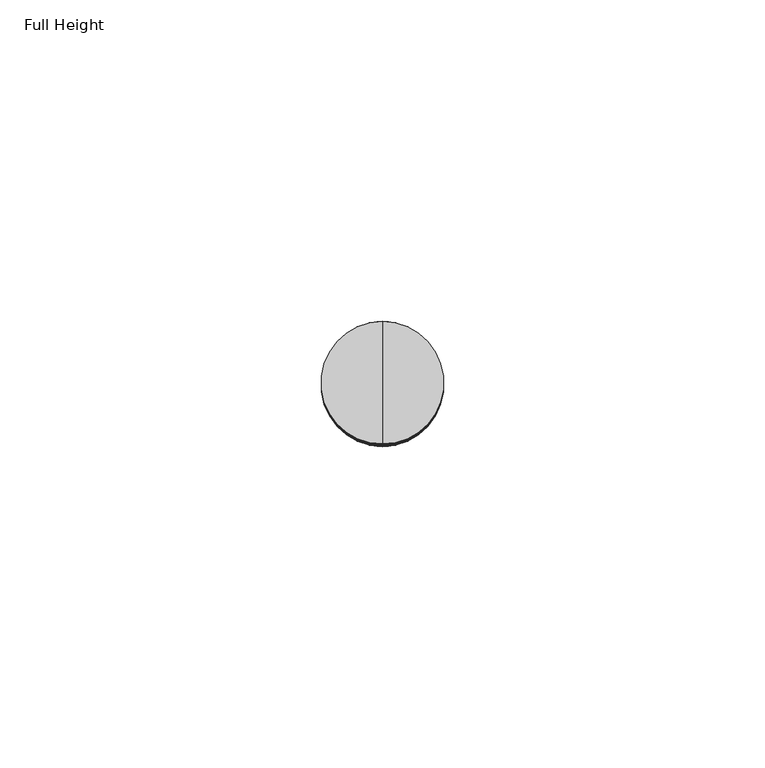
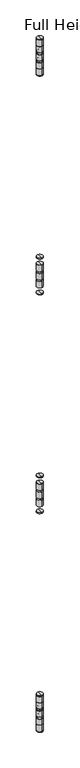
"""IFC4 building model written with IfcOpenShell, lengths in millimetres: plate geometry, Full Height."""

from ifc_helpers import new_model, si_unit, point, frame, origin, place, context, project, spatial, circle_curve, ellipse_curve, trimmed, source, transform, mapped, element, save
from ifc_brep_helpers import plane_surface, cylinder_surface, revolved_surface, advanced_brep


def full_height_05d19160(model_context):
    return source(origin(), model_context, "Body", "AdvancedBrep", [
        advanced_brep(
        [(-464.9447517, -30.9626, 1093.0466667), (-464.9447517, -50.0126, 1093.0466667), (-464.9447517, -50.0126, 1095.0786667), (-464.9447517, -30.9626, 1095.0786667), (-464.9447517, -40.4876, 1093.0466667), (-464.9447517, -40.4876, 1095.0786667)],
        [
            (0, 1, circle_curve(frame((-464.9447517, -40.4876, 1093.0466667), z_axis=(0.0, 0.0, 1.0), x_axis=(0.0, -1.0, 0.0)), 9.525)),
            (1, 2),
            (2, 3, circle_curve(frame((-464.9447517, -40.4876, 1095.0786667), z_axis=(0.0, 0.0, -1.0), x_axis=(0.0, -1.0, 0.0)), 9.525)),
            (3, 0),
            (1, 0, circle_curve(frame((-464.9447517, -40.4876, 1093.0466667), z_axis=(0.0, 0.0, 1.0), x_axis=(0.0, -1.0, 0.0)), 9.525)),
            (3, 2, circle_curve(frame((-464.9447517, -40.4876, 1095.0786667), z_axis=(0.0, 0.0, -1.0), x_axis=(0.0, -1.0, 0.0)), 9.525)),
            (4, 1),
            (0, 4),
            (2, 5),
            (5, 3),
        ],
        [
            cylinder_surface(frame((-464.9447517, -40.4876, 1871.6413333), z_axis=(0.0, 0.0, -1.0), x_axis=(0.0, -1.0, 0.0)), 9.525),
            plane_surface(frame((-464.9447517, -40.4876, 1093.0466667), z_axis=(0.0, 0.0, -1.0), x_axis=(0.0, -1.0, 0.0))),
            plane_surface(frame((-464.9447517, -40.4876, 1095.0786667), z_axis=(0.0, 0.0, 1.0), x_axis=(0.0, -1.0, 0.0))),
        ],
        [
            (0, [[1, 2, 3, 4]]),
            (0, [[5, -4, 6, -2]]),
            (1, [[7, -1, 8]]),
            (1, [[-8, -5, -7]]),
            (2, [[-3, 9, 10]]),
            (2, [[-6, -10, -9]]),
        ],
    ),
        advanced_brep(
        [(-464.9447517, -30.9626, 1052.4066667), (-464.9447517, -50.0126, 1052.4066667), (-464.9447517, -50.0126, 1072.7266667), (-464.9447517, -30.9626, 1072.7266667), (-464.9447517, -40.4876, 1052.4066667), (-464.9447517, -40.4876, 1072.7266667)],
        [
            (0, 1, circle_curve(frame((-464.9447517, -40.4876, 1052.4066667), z_axis=(0.0, 0.0, 1.0), x_axis=(0.0, -1.0, 0.0)), 9.525)),
            (1, 2),
            (2, 3, circle_curve(frame((-464.9447517, -40.4876, 1072.7266667), z_axis=(0.0, 0.0, -1.0), x_axis=(0.0, -1.0, 0.0)), 9.525)),
            (3, 0),
            (1, 0, circle_curve(frame((-464.9447517, -40.4876, 1052.4066667), z_axis=(0.0, 0.0, 1.0), x_axis=(0.0, -1.0, 0.0)), 9.525)),
            (3, 2, circle_curve(frame((-464.9447517, -40.4876, 1072.7266667), z_axis=(0.0, 0.0, -1.0), x_axis=(0.0, -1.0, 0.0)), 9.525)),
            (4, 1),
            (0, 4),
            (2, 5),
            (5, 3),
        ],
        [
            cylinder_surface(frame((-464.9447517, -40.4876, 1871.6413333), z_axis=(0.0, 0.0, -1.0), x_axis=(0.0, -1.0, 0.0)), 9.525),
            plane_surface(frame((-464.9447517, -40.4876, 1052.4066667), z_axis=(0.0, 0.0, -1.0), x_axis=(0.0, -1.0, 0.0))),
            plane_surface(frame((-464.9447517, -40.4876, 1072.7266667), z_axis=(0.0, 0.0, 1.0), x_axis=(0.0, -1.0, 0.0))),
        ],
        [
            (0, [[1, 2, 3, 4]]),
            (0, [[5, -4, 6, -2]]),
            (1, [[7, -1, 8]]),
            (1, [[-8, -5, -7]]),
            (2, [[-3, 9, 10]]),
            (2, [[-6, -10, -9]]),
        ],
    ),
        advanced_brep(
        [(-464.9447517, -30.9626, 1025.7366667), (-464.9447517, -50.0126, 1025.7366667), (-464.9447517, -50.0126, 1046.0566667), (-464.9447517, -30.9626, 1046.0566667), (-464.9447517, -40.4876, 1025.7366667), (-464.9447517, -40.4876, 1046.0566667)],
        [
            (0, 1, circle_curve(frame((-464.9447517, -40.4876, 1025.7366667), z_axis=(0.0, 0.0, 1.0), x_axis=(0.0, -1.0, 0.0)), 9.525)),
            (1, 2),
            (2, 3, circle_curve(frame((-464.9447517, -40.4876, 1046.0566667), z_axis=(0.0, 0.0, -1.0), x_axis=(0.0, -1.0, 0.0)), 9.525)),
            (3, 0),
            (1, 0, circle_curve(frame((-464.9447517, -40.4876, 1025.7366667), z_axis=(0.0, 0.0, 1.0), x_axis=(0.0, -1.0, 0.0)), 9.525)),
            (3, 2, circle_curve(frame((-464.9447517, -40.4876, 1046.0566667), z_axis=(0.0, 0.0, -1.0), x_axis=(0.0, -1.0, 0.0)), 9.525)),
            (4, 1),
            (0, 4),
            (2, 5),
            (5, 3),
        ],
        [
            cylinder_surface(frame((-464.9447517, -40.4876, 1871.6413333), z_axis=(0.0, 0.0, -1.0), x_axis=(0.0, -1.0, 0.0)), 9.525),
            plane_surface(frame((-464.9447517, -40.4876, 1025.7366667), z_axis=(0.0, 0.0, -1.0), x_axis=(0.0, -1.0, 0.0))),
            plane_surface(frame((-464.9447517, -40.4876, 1046.0566667), z_axis=(0.0, 0.0, 1.0), x_axis=(0.0, -1.0, 0.0))),
        ],
        [
            (0, [[1, 2, 3, 4]]),
            (0, [[5, -4, 6, -2]]),
            (1, [[7, -1, 8]]),
            (1, [[-8, -5, -7]]),
            (2, [[-3, 9, 10]]),
            (2, [[-6, -10, -9]]),
        ],
    ),
        advanced_brep(
        [(-464.9447517, -30.9626, 1019.3866667), (-464.9447517, -50.0126, 1019.3866667), (-464.9447517, -40.4876, 1019.3866667), (-464.9447517, -30.9626, 999.0666667), (-464.9447517, -50.0126, 999.0666667), (-464.9447517, -40.4876, 999.0666667)],
        [
            (0, 1, circle_curve(frame((-464.9447517, -40.4876, 1019.3866667), z_axis=(0.0, 0.0, 1.0), x_axis=(0.0, -1.0, 0.0)), 9.525)),
            (1, 2),
            (2, 0),
            (1, 0, circle_curve(frame((-464.9447517, -40.4876, 1019.3866667), z_axis=(0.0, 0.0, 1.0), x_axis=(0.0, -1.0, 0.0)), 9.525)),
            (3, 4, circle_curve(frame((-464.9447517, -40.4876, 999.0666667), z_axis=(0.0, 0.0, 1.0), x_axis=(0.0, -1.0, 0.0)), 9.525)),
            (4, 1),
            (0, 3),
            (4, 3, circle_curve(frame((-464.9447517, -40.4876, 999.0666667), z_axis=(0.0, 0.0, 1.0), x_axis=(0.0, -1.0, 0.0)), 9.525)),
            (5, 4),
            (3, 5),
        ],
        [
            plane_surface(frame((-464.9447517, -40.4876, 1019.3866667), z_axis=(0.0, 0.0, 1.0), x_axis=(0.0, -1.0, 0.0))),
            cylinder_surface(frame((-464.9447517, -40.4876, 1871.6413333), z_axis=(0.0, 0.0, -1.0), x_axis=(0.0, -1.0, 0.0)), 9.525),
            plane_surface(frame((-464.9447517, -40.4876, 999.0666667), z_axis=(0.0, 0.0, -1.0), x_axis=(0.0, -1.0, 0.0))),
        ],
        [
            (0, [[1, 2, 3]]),
            (0, [[4, -3, -2]]),
            (1, [[5, 6, -1, 7]]),
            (1, [[8, -7, -4, -6]]),
            (2, [[9, -5, 10]]),
            (2, [[-10, -8, -9]]),
        ],
    ),
        advanced_brep(
        [(-464.9447517, -30.9626, 976.7146667), (-464.9447517, -50.0126, 976.7146667), (-464.9447517, -50.0126, 978.7466667), (-464.9447517, -30.9626, 978.7466667), (-464.9447517, -40.4876, 976.7146667), (-464.9447517, -40.4876, 978.7466667)],
        [
            (0, 1, circle_curve(frame((-464.9447517, -40.4876, 976.7146667), z_axis=(0.0, 0.0, 1.0), x_axis=(0.0, -1.0, 0.0)), 9.525)),
            (1, 2),
            (2, 3, circle_curve(frame((-464.9447517, -40.4876, 978.7466667), z_axis=(0.0, 0.0, -1.0), x_axis=(0.0, -1.0, 0.0)), 9.525)),
            (3, 0),
            (1, 0, circle_curve(frame((-464.9447517, -40.4876, 976.7146667), z_axis=(0.0, 0.0, 1.0), x_axis=(0.0, -1.0, 0.0)), 9.525)),
            (3, 2, circle_curve(frame((-464.9447517, -40.4876, 978.7466667), z_axis=(0.0, 0.0, -1.0), x_axis=(0.0, -1.0, 0.0)), 9.525)),
            (4, 1),
            (0, 4),
            (2, 5),
            (5, 3),
        ],
        [
            cylinder_surface(frame((-464.9447517, -40.4876, 1871.6413333), z_axis=(0.0, 0.0, -1.0), x_axis=(0.0, -1.0, 0.0)), 9.525),
            plane_surface(frame((-464.9447517, -40.4876, 976.7146667), z_axis=(0.0, 0.0, -1.0), x_axis=(0.0, -1.0, 0.0))),
            plane_surface(frame((-464.9447517, -40.4876, 978.7466667), z_axis=(0.0, 0.0, 1.0), x_axis=(0.0, -1.0, 0.0))),
        ],
        [
            (0, [[1, 2, 3, 4]]),
            (0, [[5, -4, 6, -2]]),
            (1, [[7, -1, 8]]),
            (1, [[-8, -5, -7]]),
            (2, [[-3, 9, 10]]),
            (2, [[-6, -10, -9]]),
        ],
    ),
        advanced_brep(
        [(-464.9447517, -30.9626, 1805.0933333), (-464.9447517, -50.0126, 1805.0933333), (-464.9447517, -50.0126, 1807.1253333), (-464.9447517, -30.9626, 1807.1253333), (-464.9447517, -40.4876, 1805.0933333), (-464.9447517, -40.4876, 1807.1253333)],
        [
            (0, 1, circle_curve(frame((-464.9447517, -40.4876, 1805.0933333), z_axis=(0.0, 0.0, 1.0), x_axis=(0.0, -1.0, 0.0)), 9.525)),
            (1, 2),
            (2, 3, circle_curve(frame((-464.9447517, -40.4876, 1807.1253333), z_axis=(0.0, 0.0, -1.0), x_axis=(0.0, -1.0, 0.0)), 9.525)),
            (3, 0),
            (1, 0, circle_curve(frame((-464.9447517, -40.4876, 1805.0933333), z_axis=(0.0, 0.0, 1.0), x_axis=(0.0, -1.0, 0.0)), 9.525)),
            (3, 2, circle_curve(frame((-464.9447517, -40.4876, 1807.1253333), z_axis=(0.0, 0.0, -1.0), x_axis=(0.0, -1.0, 0.0)), 9.525)),
            (4, 1),
            (0, 4),
            (2, 5),
            (5, 3),
        ],
        [
            cylinder_surface(frame((-464.9447517, -40.4876, 1871.6413333), z_axis=(0.0, 0.0, -1.0), x_axis=(0.0, -1.0, 0.0)), 9.525),
            plane_surface(frame((-464.9447517, -40.4876, 1805.0933333), z_axis=(0.0, 0.0, -1.0), x_axis=(0.0, -1.0, 0.0))),
            plane_surface(frame((-464.9447517, -40.4876, 1807.1253333), z_axis=(0.0, 0.0, 1.0), x_axis=(0.0, -1.0, 0.0))),
        ],
        [
            (0, [[1, 2, 3, 4]]),
            (0, [[5, -4, 6, -2]]),
            (1, [[7, -1, 8]]),
            (1, [[-8, -5, -7]]),
            (2, [[-3, 9, 10]]),
            (2, [[-6, -10, -9]]),
        ],
    ),
        advanced_brep(
        [(-464.9447517, -30.9626, 1764.4533333), (-464.9447517, -50.0126, 1764.4533333), (-464.9447517, -50.0126, 1784.7733333), (-464.9447517, -30.9626, 1784.7733333), (-464.9447517, -40.4876, 1764.4533333), (-464.9447517, -40.4876, 1784.7733333)],
        [
            (0, 1, circle_curve(frame((-464.9447517, -40.4876, 1764.4533333), z_axis=(0.0, 0.0, 1.0), x_axis=(0.0, -1.0, 0.0)), 9.525)),
            (1, 2),
            (2, 3, circle_curve(frame((-464.9447517, -40.4876, 1784.7733333), z_axis=(0.0, 0.0, -1.0), x_axis=(0.0, -1.0, 0.0)), 9.525)),
            (3, 0),
            (1, 0, circle_curve(frame((-464.9447517, -40.4876, 1764.4533333), z_axis=(0.0, 0.0, 1.0), x_axis=(0.0, -1.0, 0.0)), 9.525)),
            (3, 2, circle_curve(frame((-464.9447517, -40.4876, 1784.7733333), z_axis=(0.0, 0.0, -1.0), x_axis=(0.0, -1.0, 0.0)), 9.525)),
            (4, 1),
            (0, 4),
            (2, 5),
            (5, 3),
        ],
        [
            cylinder_surface(frame((-464.9447517, -40.4876, 1871.6413333), z_axis=(0.0, 0.0, -1.0), x_axis=(0.0, -1.0, 0.0)), 9.525),
            plane_surface(frame((-464.9447517, -40.4876, 1764.4533333), z_axis=(0.0, 0.0, -1.0), x_axis=(0.0, -1.0, 0.0))),
            plane_surface(frame((-464.9447517, -40.4876, 1784.7733333), z_axis=(0.0, 0.0, 1.0), x_axis=(0.0, -1.0, 0.0))),
        ],
        [
            (0, [[1, 2, 3, 4]]),
            (0, [[5, -4, 6, -2]]),
            (1, [[7, -1, 8]]),
            (1, [[-8, -5, -7]]),
            (2, [[-3, 9, 10]]),
            (2, [[-6, -10, -9]]),
        ],
    ),
        advanced_brep(
        [(-464.9447517, -30.9626, 1737.7833333), (-464.9447517, -50.0126, 1737.7833333), (-464.9447517, -50.0126, 1758.1033333), (-464.9447517, -30.9626, 1758.1033333), (-464.9447517, -40.4876, 1737.7833333), (-464.9447517, -40.4876, 1758.1033333)],
        [
            (0, 1, circle_curve(frame((-464.9447517, -40.4876, 1737.7833333), z_axis=(0.0, 0.0, 1.0), x_axis=(0.0, -1.0, 0.0)), 9.525)),
            (1, 2),
            (2, 3, circle_curve(frame((-464.9447517, -40.4876, 1758.1033333), z_axis=(0.0, 0.0, -1.0), x_axis=(0.0, -1.0, 0.0)), 9.525)),
            (3, 0),
            (1, 0, circle_curve(frame((-464.9447517, -40.4876, 1737.7833333), z_axis=(0.0, 0.0, 1.0), x_axis=(0.0, -1.0, 0.0)), 9.525)),
            (3, 2, circle_curve(frame((-464.9447517, -40.4876, 1758.1033333), z_axis=(0.0, 0.0, -1.0), x_axis=(0.0, -1.0, 0.0)), 9.525)),
            (4, 1),
            (0, 4),
            (2, 5),
            (5, 3),
        ],
        [
            cylinder_surface(frame((-464.9447517, -40.4876, 1871.6413333), z_axis=(0.0, 0.0, -1.0), x_axis=(0.0, -1.0, 0.0)), 9.525),
            plane_surface(frame((-464.9447517, -40.4876, 1737.7833333), z_axis=(0.0, 0.0, -1.0), x_axis=(0.0, -1.0, 0.0))),
            plane_surface(frame((-464.9447517, -40.4876, 1758.1033333), z_axis=(0.0, 0.0, 1.0), x_axis=(0.0, -1.0, 0.0))),
        ],
        [
            (0, [[1, 2, 3, 4]]),
            (0, [[5, -4, 6, -2]]),
            (1, [[7, -1, 8]]),
            (1, [[-8, -5, -7]]),
            (2, [[-3, 9, 10]]),
            (2, [[-6, -10, -9]]),
        ],
    ),
        advanced_brep(
        [(-464.9447517, -30.9626, 1711.1133333), (-464.9447517, -50.0126, 1711.1133333), (-464.9447517, -50.0126, 1731.4333333), (-464.9447517, -30.9626, 1731.4333333), (-464.9447517, -40.4876, 1711.1133333), (-464.9447517, -40.4876, 1731.4333333)],
        [
            (0, 1, circle_curve(frame((-464.9447517, -40.4876, 1711.1133333), z_axis=(0.0, 0.0, 1.0), x_axis=(0.0, -1.0, 0.0)), 9.525)),
            (1, 2),
            (2, 3, circle_curve(frame((-464.9447517, -40.4876, 1731.4333333), z_axis=(0.0, 0.0, -1.0), x_axis=(0.0, -1.0, 0.0)), 9.525)),
            (3, 0),
            (1, 0, circle_curve(frame((-464.9447517, -40.4876, 1711.1133333), z_axis=(0.0, 0.0, 1.0), x_axis=(0.0, -1.0, 0.0)), 9.525)),
            (3, 2, circle_curve(frame((-464.9447517, -40.4876, 1731.4333333), z_axis=(0.0, 0.0, -1.0), x_axis=(0.0, -1.0, 0.0)), 9.525)),
            (4, 1),
            (0, 4),
            (2, 5),
            (5, 3),
        ],
        [
            cylinder_surface(frame((-464.9447517, -40.4876, 1871.6413333), z_axis=(0.0, 0.0, -1.0), x_axis=(0.0, -1.0, 0.0)), 9.525),
            plane_surface(frame((-464.9447517, -40.4876, 1711.1133333), z_axis=(0.0, 0.0, -1.0), x_axis=(0.0, -1.0, 0.0))),
            plane_surface(frame((-464.9447517, -40.4876, 1731.4333333), z_axis=(0.0, 0.0, 1.0), x_axis=(0.0, -1.0, 0.0))),
        ],
        [
            (0, [[1, 2, 3, 4]]),
            (0, [[5, -4, 6, -2]]),
            (1, [[7, -1, 8]]),
            (1, [[-8, -5, -7]]),
            (2, [[-3, 9, 10]]),
            (2, [[-6, -10, -9]]),
        ],
    ),
        advanced_brep(
        [(-464.9447517, -40.4876, 1688.7613333), (-464.9447517, -50.0126, 1688.7613333), (-464.9447517, -30.9626, 1688.7613333), (-464.9447517, -30.9626, 1690.7933333), (-464.9447517, -50.0126, 1690.7933333), (-464.9447517, -40.4876, 1690.7933333)],
        [
            (0, 1),
            (1, 2, circle_curve(frame((-464.9447517, -40.4876, 1688.7613333), z_axis=(0.0, 0.0, -1.0), x_axis=(0.0, -1.0, 0.0)), 9.525)),
            (2, 0),
            (2, 1, circle_curve(frame((-464.9447517, -40.4876, 1688.7613333), z_axis=(0.0, 0.0, -1.0), x_axis=(0.0, -1.0, 0.0)), 9.525)),
            (3, 4, circle_curve(frame((-464.9447517, -40.4876, 1690.7933333), z_axis=(0.0, 0.0, 1.0), x_axis=(0.0, -1.0, 0.0)), 9.525)),
            (4, 5),
            (5, 3),
            (4, 3, circle_curve(frame((-464.9447517, -40.4876, 1690.7933333), z_axis=(0.0, 0.0, 1.0), x_axis=(0.0, -1.0, 0.0)), 9.525)),
            (1, 4),
            (3, 2),
        ],
        [
            plane_surface(frame((-464.9447517, -40.4876, 1688.7613333), z_axis=(0.0, 0.0, -1.0), x_axis=(0.0, -1.0, 0.0))),
            plane_surface(frame((-464.9447517, -40.4876, 1690.7933333), z_axis=(0.0, 0.0, 1.0), x_axis=(0.0, -1.0, 0.0))),
            cylinder_surface(frame((-464.9447517, -40.4876, 1871.6413333), z_axis=(0.0, 0.0, -1.0), x_axis=(0.0, -1.0, 0.0)), 9.525),
        ],
        [
            (0, [[1, 2, 3]]),
            (0, [[-3, 4, -1]]),
            (1, [[5, 6, 7]]),
            (1, [[8, -7, -6]]),
            (2, [[-2, 9, -5, 10]]),
            (2, [[-4, -10, -8, -9]]),
        ],
    ),
        advanced_brep(
        [(-464.9447517, -30.9626, 334.518), (-464.9447517, -50.0126, 334.518), (-464.9447517, -50.0126, 339.852), (-464.9447517, -30.9626, 339.852), (-464.9447517, -40.4876, 334.01), (-464.9447517, -49.5046, 334.01), (-464.9447517, -31.4706, 334.01), (-464.9447517, -31.4706, 340.36), (-464.9447517, -49.5046, 340.36), (-464.9447517, -40.4876, 340.36)],
        [
            (0, 1, circle_curve(frame((-464.9447517, -40.4876, 334.518), z_axis=(0.0, 0.0, 1.0), x_axis=(0.0, -1.0, 0.0)), 9.525)),
            (1, 2),
            (2, 3, circle_curve(frame((-464.9447517, -40.4876, 339.852), z_axis=(0.0, 0.0, -1.0), x_axis=(0.0, -1.0, 0.0)), 9.525)),
            (3, 0),
            (1, 0, circle_curve(frame((-464.9447517, -40.4876, 334.518), z_axis=(0.0, 0.0, 1.0), x_axis=(0.0, -1.0, 0.0)), 9.525)),
            (3, 2, circle_curve(frame((-464.9447517, -40.4876, 339.852), z_axis=(0.0, 0.0, -1.0), x_axis=(0.0, -1.0, 0.0)), 9.525)),
            (4, 5),
            (5, 6, circle_curve(frame((-464.9447517, -40.4876, 334.01), z_axis=(0.0, 0.0, -1.0), x_axis=(0.0, -1.0, 0.0)), 9.017)),
            (6, 4),
            (6, 5, circle_curve(frame((-464.9447517, -40.4876, 334.01), z_axis=(0.0, 0.0, -1.0), x_axis=(0.0, -1.0, 0.0)), 9.017)),
            (7, 8, circle_curve(frame((-464.9447517, -40.4876, 340.36), z_axis=(0.0, 0.0, 1.0), x_axis=(0.0, -1.0, 0.0)), 9.017)),
            (8, 9),
            (9, 7),
            (8, 7, circle_curve(frame((-464.9447517, -40.4876, 340.36), z_axis=(0.0, 0.0, 1.0), x_axis=(0.0, -1.0, 0.0)), 9.017)),
            (2, 8, circle_curve(frame((-464.9447517, -49.5046, 339.852), z_axis=(-1.0, 0.0, 0.0), x_axis=(0.0, 1.0, 0.0)), 0.508)),
            (7, 3, circle_curve(frame((-464.9447517, -31.4706, 339.852), z_axis=(-1.0, 0.0, 0.0), x_axis=(0.0, -1.0, 0.0)), 0.508)),
            (5, 1, circle_curve(frame((-464.9447517, -49.5046, 334.518), z_axis=(-1.0, 0.0, 0.0), x_axis=(0.0, 1.0, 0.0)), 0.508)),
            (0, 6, circle_curve(frame((-464.9447517, -31.4706, 334.518), z_axis=(-1.0, 0.0, 0.0), x_axis=(0.0, -1.0, 0.0)), 0.508)),
        ],
        [
            cylinder_surface(frame((-464.9447517, -40.4876, 2533.65), z_axis=(0.0, 0.0, -1.0), x_axis=(0.0, -1.0, 0.0)), 9.525),
            plane_surface(frame((-464.9447517, -40.4876, 334.01), z_axis=(0.0, 0.0, -1.0), x_axis=(0.0, -1.0, 0.0))),
            plane_surface(frame((-464.9447517, -40.4876, 340.36), z_axis=(0.0, 0.0, 1.0), x_axis=(0.0, -1.0, 0.0))),
            revolved_surface(trimmed(ellipse_curve(frame((-464.9447517, -49.5046, 339.852), z_axis=(1.0, 0.0, 0.0), x_axis=(0.0, 1.0, 0.0)), 0.508, 0.508), [point((-464.9447517, -49.5046, 340.36))], [point((-464.9447517, -50.0126, 339.852))], True, "CARTESIAN"), (-464.9447517, -40.4876, 2533.65), (0.0, 0.0, -1.0)),
            revolved_surface(trimmed(ellipse_curve(frame((-464.9447517, -49.5046, 334.518), z_axis=(1.0, 0.0, 0.0), x_axis=(0.0, 1.0, 0.0)), 0.508, 0.508), [point((-464.9447517, -50.0126, 334.518))], [point((-464.9447517, -49.5046, 334.01))], True, "CARTESIAN"), (-464.9447517, -40.4876, 2533.65), (0.0, 0.0, -1.0)),
        ],
        [
            (0, [[1, 2, 3, 4]]),
            (0, [[5, -4, 6, -2]]),
            (1, [[7, 8, 9]]),
            (1, [[-9, 10, -7]]),
            (2, [[11, 12, 13]]),
            (2, [[14, -13, -12]]),
            (3, [[-3, 15, -11, 16]]),
            (3, [[-6, -16, -14, -15]]),
            (4, [[-8, 17, -1, 18]]),
            (4, [[-10, -18, -5, -17]]),
        ],
    ),
        advanced_brep(
        [(-464.9447517, -30.9626, 307.848), (-464.9447517, -50.0126, 307.848), (-464.9447517, -50.0126, 313.182), (-464.9447517, -30.9626, 313.182), (-464.9447517, -40.4876, 307.34), (-464.9447517, -49.5046, 307.34), (-464.9447517, -31.4706, 307.34), (-464.9447517, -31.4706, 313.69), (-464.9447517, -49.5046, 313.69), (-464.9447517, -40.4876, 313.69)],
        [
            (0, 1, circle_curve(frame((-464.9447517, -40.4876, 307.848), z_axis=(0.0, 0.0, 1.0), x_axis=(0.0, -1.0, 0.0)), 9.525)),
            (1, 2),
            (2, 3, circle_curve(frame((-464.9447517, -40.4876, 313.182), z_axis=(0.0, 0.0, -1.0), x_axis=(0.0, -1.0, 0.0)), 9.525)),
            (3, 0),
            (1, 0, circle_curve(frame((-464.9447517, -40.4876, 307.848), z_axis=(0.0, 0.0, 1.0), x_axis=(0.0, -1.0, 0.0)), 9.525)),
            (3, 2, circle_curve(frame((-464.9447517, -40.4876, 313.182), z_axis=(0.0, 0.0, -1.0), x_axis=(0.0, -1.0, 0.0)), 9.525)),
            (4, 5),
            (5, 6, circle_curve(frame((-464.9447517, -40.4876, 307.34), z_axis=(0.0, 0.0, -1.0), x_axis=(0.0, -1.0, 0.0)), 9.017)),
            (6, 4),
            (6, 5, circle_curve(frame((-464.9447517, -40.4876, 307.34), z_axis=(0.0, 0.0, -1.0), x_axis=(0.0, -1.0, 0.0)), 9.017)),
            (7, 8, circle_curve(frame((-464.9447517, -40.4876, 313.69), z_axis=(0.0, 0.0, 1.0), x_axis=(0.0, -1.0, 0.0)), 9.017)),
            (8, 9),
            (9, 7),
            (8, 7, circle_curve(frame((-464.9447517, -40.4876, 313.69), z_axis=(0.0, 0.0, 1.0), x_axis=(0.0, -1.0, 0.0)), 9.017)),
            (2, 8, circle_curve(frame((-464.9447517, -49.5046, 313.182), z_axis=(-1.0, 0.0, 0.0), x_axis=(0.0, 1.0, 0.0)), 0.508)),
            (7, 3, circle_curve(frame((-464.9447517, -31.4706, 313.182), z_axis=(-1.0, 0.0, 0.0), x_axis=(0.0, -1.0, 0.0)), 0.508)),
            (5, 1, circle_curve(frame((-464.9447517, -49.5046, 307.848), z_axis=(-1.0, 0.0, 0.0), x_axis=(0.0, 1.0, 0.0)), 0.508)),
            (0, 6, circle_curve(frame((-464.9447517, -31.4706, 307.848), z_axis=(-1.0, 0.0, 0.0), x_axis=(0.0, -1.0, 0.0)), 0.508)),
        ],
        [
            cylinder_surface(frame((-464.9447517, -40.4876, 2533.65), z_axis=(0.0, 0.0, -1.0), x_axis=(0.0, -1.0, 0.0)), 9.525),
            plane_surface(frame((-464.9447517, -40.4876, 307.34), z_axis=(0.0, 0.0, -1.0), x_axis=(0.0, -1.0, 0.0))),
            plane_surface(frame((-464.9447517, -40.4876, 313.69), z_axis=(0.0, 0.0, 1.0), x_axis=(0.0, -1.0, 0.0))),
            revolved_surface(trimmed(ellipse_curve(frame((-464.9447517, -49.5046, 313.182), z_axis=(1.0, 0.0, 0.0), x_axis=(0.0, 1.0, 0.0)), 0.508, 0.508), [point((-464.9447517, -49.5046, 313.69))], [point((-464.9447517, -50.0126, 313.182))], True, "CARTESIAN"), (-464.9447517, -40.4876, 2533.65), (0.0, 0.0, -1.0)),
            revolved_surface(trimmed(ellipse_curve(frame((-464.9447517, -49.5046, 307.848), z_axis=(1.0, 0.0, 0.0), x_axis=(0.0, 1.0, 0.0)), 0.508, 0.508), [point((-464.9447517, -50.0126, 307.848))], [point((-464.9447517, -49.5046, 307.34))], True, "CARTESIAN"), (-464.9447517, -40.4876, 2533.65), (0.0, 0.0, -1.0)),
        ],
        [
            (0, [[1, 2, 3, 4]]),
            (0, [[5, -4, 6, -2]]),
            (1, [[7, 8, 9]]),
            (1, [[-9, 10, -7]]),
            (2, [[11, 12, 13]]),
            (2, [[14, -13, -12]]),
            (3, [[-3, 15, -11, 16]]),
            (3, [[-6, -16, -14, -15]]),
            (4, [[-8, 17, -1, 18]]),
            (4, [[-10, -18, -5, -17]]),
        ],
    ),
        advanced_brep(
        [(-464.9447517, -30.9626, 2470.658), (-464.9447517, -50.0126, 2470.658), (-464.9447517, -50.0126, 2475.992), (-464.9447517, -30.9626, 2475.992), (-464.9447517, -40.4876, 2470.15), (-464.9447517, -49.5046, 2470.15), (-464.9447517, -31.4706, 2470.15), (-464.9447517, -31.4706, 2476.5), (-464.9447517, -49.5046, 2476.5), (-464.9447517, -40.4876, 2476.5)],
        [
            (0, 1, circle_curve(frame((-464.9447517, -40.4876, 2470.658), z_axis=(0.0, 0.0, 1.0), x_axis=(0.0, -1.0, 0.0)), 9.525)),
            (1, 2),
            (2, 3, circle_curve(frame((-464.9447517, -40.4876, 2475.992), z_axis=(0.0, 0.0, -1.0), x_axis=(0.0, -1.0, 0.0)), 9.525)),
            (3, 0),
            (1, 0, circle_curve(frame((-464.9447517, -40.4876, 2470.658), z_axis=(0.0, 0.0, 1.0), x_axis=(0.0, -1.0, 0.0)), 9.525)),
            (3, 2, circle_curve(frame((-464.9447517, -40.4876, 2475.992), z_axis=(0.0, 0.0, -1.0), x_axis=(0.0, -1.0, 0.0)), 9.525)),
            (4, 5),
            (5, 6, circle_curve(frame((-464.9447517, -40.4876, 2470.15), z_axis=(0.0, 0.0, -1.0), x_axis=(0.0, -1.0, 0.0)), 9.017)),
            (6, 4),
            (6, 5, circle_curve(frame((-464.9447517, -40.4876, 2470.15), z_axis=(0.0, 0.0, -1.0), x_axis=(0.0, -1.0, 0.0)), 9.017)),
            (7, 8, circle_curve(frame((-464.9447517, -40.4876, 2476.5), z_axis=(0.0, 0.0, 1.0), x_axis=(0.0, -1.0, 0.0)), 9.017)),
            (8, 9),
            (9, 7),
            (8, 7, circle_curve(frame((-464.9447517, -40.4876, 2476.5), z_axis=(0.0, 0.0, 1.0), x_axis=(0.0, -1.0, 0.0)), 9.017)),
            (2, 8, circle_curve(frame((-464.9447517, -49.5046, 2475.992), z_axis=(-1.0, 0.0, 0.0), x_axis=(0.0, 1.0, 0.0)), 0.508)),
            (7, 3, circle_curve(frame((-464.9447517, -31.4706, 2475.992), z_axis=(-1.0, 0.0, 0.0), x_axis=(0.0, -1.0, 0.0)), 0.508)),
            (5, 1, circle_curve(frame((-464.9447517, -49.5046, 2470.658), z_axis=(-1.0, 0.0, 0.0), x_axis=(0.0, 1.0, 0.0)), 0.508)),
            (0, 6, circle_curve(frame((-464.9447517, -31.4706, 2470.658), z_axis=(-1.0, 0.0, 0.0), x_axis=(0.0, -1.0, 0.0)), 0.508)),
        ],
        [
            cylinder_surface(frame((-464.9447517, -40.4876, 2533.65), z_axis=(0.0, 0.0, -1.0), x_axis=(0.0, -1.0, 0.0)), 9.525),
            plane_surface(frame((-464.9447517, -40.4876, 2470.15), z_axis=(0.0, 0.0, -1.0), x_axis=(0.0, -1.0, 0.0))),
            plane_surface(frame((-464.9447517, -40.4876, 2476.5), z_axis=(0.0, 0.0, 1.0), x_axis=(0.0, -1.0, 0.0))),
            revolved_surface(trimmed(ellipse_curve(frame((-464.9447517, -49.5046, 2475.992), z_axis=(1.0, 0.0, 0.0), x_axis=(0.0, 1.0, 0.0)), 0.508, 0.508), [point((-464.9447517, -49.5046, 2476.5))], [point((-464.9447517, -50.0126, 2475.992))], True, "CARTESIAN"), (-464.9447517, -40.4876, 2533.65), (0.0, 0.0, -1.0)),
            revolved_surface(trimmed(ellipse_curve(frame((-464.9447517, -49.5046, 2470.658), z_axis=(1.0, 0.0, 0.0), x_axis=(0.0, 1.0, 0.0)), 0.508, 0.508), [point((-464.9447517, -50.0126, 2470.658))], [point((-464.9447517, -49.5046, 2470.15))], True, "CARTESIAN"), (-464.9447517, -40.4876, 2533.65), (0.0, 0.0, -1.0)),
        ],
        [
            (0, [[1, 2, 3, 4]]),
            (0, [[5, -4, 6, -2]]),
            (1, [[7, 8, 9]]),
            (1, [[-9, 10, -7]]),
            (2, [[11, 12, 13]]),
            (2, [[14, -13, -12]]),
            (3, [[-3, 15, -11, 16]]),
            (3, [[-6, -16, -14, -15]]),
            (4, [[-8, 17, -1, 18]]),
            (4, [[-10, -18, -5, -17]]),
        ],
    ),
        advanced_brep(
        [(-464.9447517, -30.9626, 2443.988), (-464.9447517, -50.0126, 2443.988), (-464.9447517, -50.0126, 2449.322), (-464.9447517, -30.9626, 2449.322), (-464.9447517, -40.4876, 2443.48), (-464.9447517, -49.5046, 2443.48), (-464.9447517, -31.4706, 2443.48), (-464.9447517, -31.4706, 2449.83), (-464.9447517, -49.5046, 2449.83), (-464.9447517, -40.4876, 2449.83)],
        [
            (0, 1, circle_curve(frame((-464.9447517, -40.4876, 2443.988), z_axis=(0.0, 0.0, 1.0), x_axis=(0.0, -1.0, 0.0)), 9.525)),
            (1, 2),
            (2, 3, circle_curve(frame((-464.9447517, -40.4876, 2449.322), z_axis=(0.0, 0.0, -1.0), x_axis=(0.0, -1.0, 0.0)), 9.525)),
            (3, 0),
            (1, 0, circle_curve(frame((-464.9447517, -40.4876, 2443.988), z_axis=(0.0, 0.0, 1.0), x_axis=(0.0, -1.0, 0.0)), 9.525)),
            (3, 2, circle_curve(frame((-464.9447517, -40.4876, 2449.322), z_axis=(0.0, 0.0, -1.0), x_axis=(0.0, -1.0, 0.0)), 9.525)),
            (4, 5),
            (5, 6, circle_curve(frame((-464.9447517, -40.4876, 2443.48), z_axis=(0.0, 0.0, -1.0), x_axis=(0.0, -1.0, 0.0)), 9.017)),
            (6, 4),
            (6, 5, circle_curve(frame((-464.9447517, -40.4876, 2443.48), z_axis=(0.0, 0.0, -1.0), x_axis=(0.0, -1.0, 0.0)), 9.017)),
            (7, 8, circle_curve(frame((-464.9447517, -40.4876, 2449.83), z_axis=(0.0, 0.0, 1.0), x_axis=(0.0, -1.0, 0.0)), 9.017)),
            (8, 9),
            (9, 7),
            (8, 7, circle_curve(frame((-464.9447517, -40.4876, 2449.83), z_axis=(0.0, 0.0, 1.0), x_axis=(0.0, -1.0, 0.0)), 9.017)),
            (2, 8, circle_curve(frame((-464.9447517, -49.5046, 2449.322), z_axis=(-1.0, 0.0, 0.0), x_axis=(0.0, 1.0, 0.0)), 0.508)),
            (7, 3, circle_curve(frame((-464.9447517, -31.4706, 2449.322), z_axis=(-1.0, 0.0, 0.0), x_axis=(0.0, -1.0, 0.0)), 0.508)),
            (5, 1, circle_curve(frame((-464.9447517, -49.5046, 2443.988), z_axis=(-1.0, 0.0, 0.0), x_axis=(0.0, 1.0, 0.0)), 0.508)),
            (0, 6, circle_curve(frame((-464.9447517, -31.4706, 2443.988), z_axis=(-1.0, 0.0, 0.0), x_axis=(0.0, -1.0, 0.0)), 0.508)),
        ],
        [
            cylinder_surface(frame((-464.9447517, -40.4876, 2533.65), z_axis=(0.0, 0.0, -1.0), x_axis=(0.0, -1.0, 0.0)), 9.525),
            plane_surface(frame((-464.9447517, -40.4876, 2443.48), z_axis=(0.0, 0.0, -1.0), x_axis=(0.0, -1.0, 0.0))),
            plane_surface(frame((-464.9447517, -40.4876, 2449.83), z_axis=(0.0, 0.0, 1.0), x_axis=(0.0, -1.0, 0.0))),
            revolved_surface(trimmed(ellipse_curve(frame((-464.9447517, -49.5046, 2449.322), z_axis=(1.0, 0.0, 0.0), x_axis=(0.0, 1.0, 0.0)), 0.508, 0.508), [point((-464.9447517, -49.5046, 2449.83))], [point((-464.9447517, -50.0126, 2449.322))], True, "CARTESIAN"), (-464.9447517, -40.4876, 2533.65), (0.0, 0.0, -1.0)),
            revolved_surface(trimmed(ellipse_curve(frame((-464.9447517, -49.5046, 2443.988), z_axis=(1.0, 0.0, 0.0), x_axis=(0.0, 1.0, 0.0)), 0.508, 0.508), [point((-464.9447517, -50.0126, 2443.988))], [point((-464.9447517, -49.5046, 2443.48))], True, "CARTESIAN"), (-464.9447517, -40.4876, 2533.65), (0.0, 0.0, -1.0)),
        ],
        [
            (0, [[1, 2, 3, 4]]),
            (0, [[5, -4, 6, -2]]),
            (1, [[7, 8, 9]]),
            (1, [[-9, 10, -7]]),
            (2, [[11, 12, 13]]),
            (2, [[14, -13, -12]]),
            (3, [[-3, 15, -11, 16]]),
            (3, [[-6, -16, -14, -15]]),
            (4, [[-8, 17, -1, 18]]),
            (4, [[-10, -18, -5, -17]]),
        ],
    ),
        advanced_brep(
        [(-464.9447517, -30.9626, 2496.82), (-464.9447517, -50.0126, 2496.82), (-464.9447517, -50.0126, 2517.14), (-464.9447517, -30.9626, 2517.14), (-464.9447517, -40.4876, 2496.82), (-464.9447517, -40.4876, 2517.14)],
        [
            (0, 1, circle_curve(frame((-464.9447517, -40.4876, 2496.82), z_axis=(0.0, 0.0, 1.0), x_axis=(0.0, -1.0, 0.0)), 9.525)),
            (1, 2),
            (2, 3, circle_curve(frame((-464.9447517, -40.4876, 2517.14), z_axis=(0.0, 0.0, -1.0), x_axis=(0.0, -1.0, 0.0)), 9.525)),
            (3, 0),
            (1, 0, circle_curve(frame((-464.9447517, -40.4876, 2496.82), z_axis=(0.0, 0.0, 1.0), x_axis=(0.0, -1.0, 0.0)), 9.525)),
            (3, 2, circle_curve(frame((-464.9447517, -40.4876, 2517.14), z_axis=(0.0, 0.0, -1.0), x_axis=(0.0, -1.0, 0.0)), 9.525)),
            (4, 1),
            (0, 4),
            (2, 5),
            (5, 3),
        ],
        [
            cylinder_surface(frame((-464.9447517, -40.4876, 139.7), z_axis=(0.0, 0.0, -1.0), x_axis=(0.0, -1.0, 0.0)), 9.525),
            plane_surface(frame((-464.9447517, -40.4876, 2496.82), z_axis=(0.0, 0.0, -1.0), x_axis=(0.0, -1.0, 0.0))),
            plane_surface(frame((-464.9447517, -40.4876, 2517.14), z_axis=(0.0, 0.0, 1.0), x_axis=(0.0, -1.0, 0.0))),
        ],
        [
            (0, [[1, 2, 3, 4]]),
            (0, [[5, -4, 6, -2]]),
            (1, [[7, -1, 8]]),
            (1, [[-8, -5, -7]]),
            (2, [[-3, 9, 10]]),
            (2, [[-6, -10, -9]]),
        ],
    ),
        advanced_brep(
        [(-464.9447517, -30.9626, 2449.83), (-464.9447517, -50.0126, 2449.83), (-464.9447517, -50.0126, 2470.15), (-464.9447517, -30.9626, 2470.15), (-464.9447517, -40.4876, 2449.83), (-464.9447517, -40.4876, 2470.15)],
        [
            (0, 1, circle_curve(frame((-464.9447517, -40.4876, 2449.83), z_axis=(0.0, 0.0, 1.0), x_axis=(0.0, -1.0, 0.0)), 9.525)),
            (1, 2),
            (2, 3, circle_curve(frame((-464.9447517, -40.4876, 2470.15), z_axis=(0.0, 0.0, -1.0), x_axis=(0.0, -1.0, 0.0)), 9.525)),
            (3, 0),
            (1, 0, circle_curve(frame((-464.9447517, -40.4876, 2449.83), z_axis=(0.0, 0.0, 1.0), x_axis=(0.0, -1.0, 0.0)), 9.525)),
            (3, 2, circle_curve(frame((-464.9447517, -40.4876, 2470.15), z_axis=(0.0, 0.0, -1.0), x_axis=(0.0, -1.0, 0.0)), 9.525)),
            (4, 1),
            (0, 4),
            (2, 5),
            (5, 3),
        ],
        [
            cylinder_surface(frame((-464.9447517, -40.4876, 139.7), z_axis=(0.0, 0.0, -1.0), x_axis=(0.0, -1.0, 0.0)), 9.525),
            plane_surface(frame((-464.9447517, -40.4876, 2449.83), z_axis=(0.0, 0.0, -1.0), x_axis=(0.0, -1.0, 0.0))),
            plane_surface(frame((-464.9447517, -40.4876, 2470.15), z_axis=(0.0, 0.0, 1.0), x_axis=(0.0, -1.0, 0.0))),
        ],
        [
            (0, [[1, 2, 3, 4]]),
            (0, [[5, -4, 6, -2]]),
            (1, [[7, -1, 8]]),
            (1, [[-8, -5, -7]]),
            (2, [[-3, 9, 10]]),
            (2, [[-6, -10, -9]]),
        ],
    ),
        advanced_brep(
        [(-464.9447517, -30.9626, 2402.84), (-464.9447517, -50.0126, 2402.84), (-464.9447517, -50.0126, 2423.16), (-464.9447517, -30.9626, 2423.16), (-464.9447517, -40.4876, 2402.84), (-464.9447517, -40.4876, 2423.16)],
        [
            (0, 1, circle_curve(frame((-464.9447517, -40.4876, 2402.84), z_axis=(0.0, 0.0, 1.0), x_axis=(0.0, -1.0, 0.0)), 9.525)),
            (1, 2),
            (2, 3, circle_curve(frame((-464.9447517, -40.4876, 2423.16), z_axis=(0.0, 0.0, -1.0), x_axis=(0.0, -1.0, 0.0)), 9.525)),
            (3, 0),
            (1, 0, circle_curve(frame((-464.9447517, -40.4876, 2402.84), z_axis=(0.0, 0.0, 1.0), x_axis=(0.0, -1.0, 0.0)), 9.525)),
            (3, 2, circle_curve(frame((-464.9447517, -40.4876, 2423.16), z_axis=(0.0, 0.0, -1.0), x_axis=(0.0, -1.0, 0.0)), 9.525)),
            (4, 1),
            (0, 4),
            (2, 5),
            (5, 3),
        ],
        [
            cylinder_surface(frame((-464.9447517, -40.4876, 139.7), z_axis=(0.0, 0.0, -1.0), x_axis=(0.0, -1.0, 0.0)), 9.525),
            plane_surface(frame((-464.9447517, -40.4876, 2402.84), z_axis=(0.0, 0.0, -1.0), x_axis=(0.0, -1.0, 0.0))),
            plane_surface(frame((-464.9447517, -40.4876, 2423.16), z_axis=(0.0, 0.0, 1.0), x_axis=(0.0, -1.0, 0.0))),
        ],
        [
            (0, [[1, 2, 3, 4]]),
            (0, [[5, -4, 6, -2]]),
            (1, [[7, -1, 8]]),
            (1, [[-8, -5, -7]]),
            (2, [[-3, 9, 10]]),
            (2, [[-6, -10, -9]]),
        ],
    ),
        advanced_brep(
        [(-464.9447517, -30.9626, 381.0), (-464.9447517, -50.0126, 381.0), (-464.9447517, -40.4876, 381.0), (-464.9447517, -30.9626, 360.68), (-464.9447517, -50.0126, 360.68), (-464.9447517, -40.4876, 360.68)],
        [
            (0, 1, circle_curve(frame((-464.9447517, -40.4876, 381.0), z_axis=(0.0, 0.0, 1.0), x_axis=(0.0, -1.0, 0.0)), 9.525)),
            (1, 2),
            (2, 0),
            (1, 0, circle_curve(frame((-464.9447517, -40.4876, 381.0), z_axis=(0.0, 0.0, 1.0), x_axis=(0.0, -1.0, 0.0)), 9.525)),
            (3, 4, circle_curve(frame((-464.9447517, -40.4876, 360.68), z_axis=(0.0, 0.0, 1.0), x_axis=(0.0, -1.0, 0.0)), 9.525)),
            (4, 1),
            (0, 3),
            (4, 3, circle_curve(frame((-464.9447517, -40.4876, 360.68), z_axis=(0.0, 0.0, 1.0), x_axis=(0.0, -1.0, 0.0)), 9.525)),
            (5, 4),
            (3, 5),
        ],
        [
            plane_surface(frame((-464.9447517, -40.4876, 381.0), z_axis=(0.0, 0.0, 1.0), x_axis=(0.0, -1.0, 0.0))),
            cylinder_surface(frame((-464.9447517, -40.4876, 139.7), z_axis=(0.0, 0.0, -1.0), x_axis=(0.0, -1.0, 0.0)), 9.525),
            plane_surface(frame((-464.9447517, -40.4876, 360.68), z_axis=(0.0, 0.0, -1.0), x_axis=(0.0, -1.0, 0.0))),
        ],
        [
            (0, [[1, 2, 3]]),
            (0, [[4, -3, -2]]),
            (1, [[5, 6, -1, 7]]),
            (1, [[8, -7, -4, -6]]),
            (2, [[9, -5, 10]]),
            (2, [[-10, -8, -9]]),
        ],
    ),
        advanced_brep(
        [(-464.9447517, -30.9626, 313.69), (-464.9447517, -50.0126, 313.69), (-464.9447517, -50.0126, 334.01), (-464.9447517, -30.9626, 334.01), (-464.9447517, -40.4876, 313.69), (-464.9447517, -40.4876, 334.01)],
        [
            (0, 1, circle_curve(frame((-464.9447517, -40.4876, 313.69), z_axis=(0.0, 0.0, 1.0), x_axis=(0.0, -1.0, 0.0)), 9.525)),
            (1, 2),
            (2, 3, circle_curve(frame((-464.9447517, -40.4876, 334.01), z_axis=(0.0, 0.0, -1.0), x_axis=(0.0, -1.0, 0.0)), 9.525)),
            (3, 0),
            (1, 0, circle_curve(frame((-464.9447517, -40.4876, 313.69), z_axis=(0.0, 0.0, 1.0), x_axis=(0.0, -1.0, 0.0)), 9.525)),
            (3, 2, circle_curve(frame((-464.9447517, -40.4876, 334.01), z_axis=(0.0, 0.0, -1.0), x_axis=(0.0, -1.0, 0.0)), 9.525)),
            (4, 1),
            (0, 4),
            (2, 5),
            (5, 3),
        ],
        [
            cylinder_surface(frame((-464.9447517, -40.4876, 139.7), z_axis=(0.0, 0.0, -1.0), x_axis=(0.0, -1.0, 0.0)), 9.525),
            plane_surface(frame((-464.9447517, -40.4876, 313.69), z_axis=(0.0, 0.0, -1.0), x_axis=(0.0, -1.0, 0.0))),
            plane_surface(frame((-464.9447517, -40.4876, 334.01), z_axis=(0.0, 0.0, 1.0), x_axis=(0.0, -1.0, 0.0))),
        ],
        [
            (0, [[1, 2, 3, 4]]),
            (0, [[5, -4, 6, -2]]),
            (1, [[7, -1, 8]]),
            (1, [[-8, -5, -7]]),
            (2, [[-3, 9, 10]]),
            (2, [[-6, -10, -9]]),
        ],
    ),
        advanced_brep(
        [(-464.9447517, -30.9626, 266.7), (-464.9447517, -50.0126, 266.7), (-464.9447517, -50.0126, 287.02), (-464.9447517, -30.9626, 287.02), (-464.9447517, -40.4876, 266.7), (-464.9447517, -40.4876, 287.02)],
        [
            (0, 1, circle_curve(frame((-464.9447517, -40.4876, 266.7), z_axis=(0.0, 0.0, 1.0), x_axis=(0.0, -1.0, 0.0)), 9.525)),
            (1, 2),
            (2, 3, circle_curve(frame((-464.9447517, -40.4876, 287.02), z_axis=(0.0, 0.0, -1.0), x_axis=(0.0, -1.0, 0.0)), 9.525)),
            (3, 0),
            (1, 0, circle_curve(frame((-464.9447517, -40.4876, 266.7), z_axis=(0.0, 0.0, 1.0), x_axis=(0.0, -1.0, 0.0)), 9.525)),
            (3, 2, circle_curve(frame((-464.9447517, -40.4876, 287.02), z_axis=(0.0, 0.0, -1.0), x_axis=(0.0, -1.0, 0.0)), 9.525)),
            (4, 1),
            (0, 4),
            (2, 5),
            (5, 3),
        ],
        [
            cylinder_surface(frame((-464.9447517, -40.4876, 139.7), z_axis=(0.0, 0.0, -1.0), x_axis=(0.0, -1.0, 0.0)), 9.525),
            plane_surface(frame((-464.9447517, -40.4876, 266.7), z_axis=(0.0, 0.0, -1.0), x_axis=(0.0, -1.0, 0.0))),
            plane_surface(frame((-464.9447517, -40.4876, 287.02), z_axis=(0.0, 0.0, 1.0), x_axis=(0.0, -1.0, 0.0))),
        ],
        [
            (0, [[1, 2, 3, 4]]),
            (0, [[5, -4, 6, -2]]),
            (1, [[7, -1, 8]]),
            (1, [[-8, -5, -7]]),
            (2, [[-3, 9, 10]]),
            (2, [[-6, -10, -9]]),
        ],
    ),
        advanced_brep(
        [(-464.9447517, -40.4876, 381.0), (-464.9447517, -50.0126, 381.0), (-464.9447517, -30.9626, 381.0), (-464.9447517, -50.0126, 383.032), (-464.9447517, -30.9626, 383.032), (-464.9447517, -40.4876, 383.032)],
        [
            (0, 1),
            (1, 2, circle_curve(frame((-464.9447517, -40.4876, 381.0), z_axis=(0.0, 0.0, -1.0), x_axis=(0.0, -1.0, 0.0)), 9.525)),
            (2, 0),
            (2, 1, circle_curve(frame((-464.9447517, -40.4876, 381.0), z_axis=(0.0, 0.0, -1.0), x_axis=(0.0, -1.0, 0.0)), 9.525)),
            (1, 3),
            (3, 4, circle_curve(frame((-464.9447517, -40.4876, 383.032), z_axis=(0.0, 0.0, -1.0), x_axis=(0.0, -1.0, 0.0)), 9.525)),
            (4, 2),
            (4, 3, circle_curve(frame((-464.9447517, -40.4876, 383.032), z_axis=(0.0, 0.0, -1.0), x_axis=(0.0, -1.0, 0.0)), 9.525)),
            (3, 5),
            (5, 4),
        ],
        [
            plane_surface(frame((-464.9447517, -40.4876, 381.0), z_axis=(0.0, 0.0, -1.0), x_axis=(0.0, -1.0, 0.0))),
            cylinder_surface(frame((-464.9447517, -40.4876, 2525.522), z_axis=(0.0, 0.0, -1.0), x_axis=(0.0, -1.0, 0.0)), 9.525),
            plane_surface(frame((-464.9447517, -40.4876, 383.032), z_axis=(0.0, 0.0, 1.0), x_axis=(0.0, -1.0, 0.0))),
        ],
        [
            (0, [[1, 2, 3]]),
            (0, [[-3, 4, -1]]),
            (1, [[-2, 5, 6, 7]]),
            (1, [[-4, -7, 8, -5]]),
            (2, [[-6, 9, 10]]),
            (2, [[-8, -10, -9]]),
        ],
    ),
        advanced_brep(
        [(-464.9447517, -40.4876, 264.668), (-464.9447517, -50.0126, 264.668), (-464.9447517, -30.9626, 264.668), (-464.9447517, -50.0126, 266.7), (-464.9447517, -30.9626, 266.7), (-464.9447517, -40.4876, 266.7)],
        [
            (0, 1),
            (1, 2, circle_curve(frame((-464.9447517, -40.4876, 264.668), z_axis=(0.0, 0.0, -1.0), x_axis=(0.0, -1.0, 0.0)), 9.525)),
            (2, 0),
            (2, 1, circle_curve(frame((-464.9447517, -40.4876, 264.668), z_axis=(0.0, 0.0, -1.0), x_axis=(0.0, -1.0, 0.0)), 9.525)),
            (1, 3),
            (3, 4, circle_curve(frame((-464.9447517, -40.4876, 266.7), z_axis=(0.0, 0.0, -1.0), x_axis=(0.0, -1.0, 0.0)), 9.525)),
            (4, 2),
            (4, 3, circle_curve(frame((-464.9447517, -40.4876, 266.7), z_axis=(0.0, 0.0, -1.0), x_axis=(0.0, -1.0, 0.0)), 9.525)),
            (3, 5),
            (5, 4),
        ],
        [
            plane_surface(frame((-464.9447517, -40.4876, 264.668), z_axis=(0.0, 0.0, -1.0), x_axis=(0.0, -1.0, 0.0))),
            cylinder_surface(frame((-464.9447517, -40.4876, 2525.522), z_axis=(0.0, 0.0, -1.0), x_axis=(0.0, -1.0, 0.0)), 9.525),
            plane_surface(frame((-464.9447517, -40.4876, 266.7), z_axis=(0.0, 0.0, 1.0), x_axis=(0.0, -1.0, 0.0))),
        ],
        [
            (0, [[1, 2, 3]]),
            (0, [[-3, 4, -1]]),
            (1, [[-2, 5, 6, 7]]),
            (1, [[-4, -7, 8, -5]]),
            (2, [[-6, 9, 10]]),
            (2, [[-8, -10, -9]]),
        ],
    ),
        advanced_brep(
        [(-464.9447517, -40.4876, 340.36), (-464.9447517, -50.0126, 340.36), (-464.9447517, -30.9626, 340.36), (-464.9447517, -50.0126, 360.68), (-464.9447517, -30.9626, 360.68), (-464.9447517, -40.4876, 360.68)],
        [
            (0, 1),
            (1, 2, circle_curve(frame((-464.9447517, -40.4876, 340.36), z_axis=(0.0, 0.0, -1.0), x_axis=(0.0, -1.0, 0.0)), 9.525)),
            (2, 0),
            (2, 1, circle_curve(frame((-464.9447517, -40.4876, 340.36), z_axis=(0.0, 0.0, -1.0), x_axis=(0.0, -1.0, 0.0)), 9.525)),
            (1, 3),
            (3, 4, circle_curve(frame((-464.9447517, -40.4876, 360.68), z_axis=(0.0, 0.0, -1.0), x_axis=(0.0, -1.0, 0.0)), 9.525)),
            (4, 2),
            (4, 3, circle_curve(frame((-464.9447517, -40.4876, 360.68), z_axis=(0.0, 0.0, -1.0), x_axis=(0.0, -1.0, 0.0)), 9.525)),
            (3, 5),
            (5, 4),
        ],
        [
            plane_surface(frame((-464.9447517, -40.4876, 340.36), z_axis=(0.0, 0.0, -1.0), x_axis=(0.0, -1.0, 0.0))),
            cylinder_surface(frame((-464.9447517, -40.4876, 2525.522), z_axis=(0.0, 0.0, -1.0), x_axis=(0.0, -1.0, 0.0)), 9.525),
            plane_surface(frame((-464.9447517, -40.4876, 360.68), z_axis=(0.0, 0.0, 1.0), x_axis=(0.0, -1.0, 0.0))),
        ],
        [
            (0, [[1, 2, 3]]),
            (0, [[-3, 4, -1]]),
            (1, [[-2, 5, 6, 7]]),
            (1, [[-4, -7, 8, -5]]),
            (2, [[-6, 9, 10]]),
            (2, [[-8, -10, -9]]),
        ],
    ),
        advanced_brep(
        [(-464.9447517, -40.4876, 287.02), (-464.9447517, -50.0126, 287.02), (-464.9447517, -30.9626, 287.02), (-464.9447517, -50.0126, 307.34), (-464.9447517, -30.9626, 307.34), (-464.9447517, -40.4876, 307.34)],
        [
            (0, 1),
            (1, 2, circle_curve(frame((-464.9447517, -40.4876, 287.02), z_axis=(0.0, 0.0, -1.0), x_axis=(0.0, -1.0, 0.0)), 9.525)),
            (2, 0),
            (2, 1, circle_curve(frame((-464.9447517, -40.4876, 287.02), z_axis=(0.0, 0.0, -1.0), x_axis=(0.0, -1.0, 0.0)), 9.525)),
            (1, 3),
            (3, 4, circle_curve(frame((-464.9447517, -40.4876, 307.34), z_axis=(0.0, 0.0, -1.0), x_axis=(0.0, -1.0, 0.0)), 9.525)),
            (4, 2),
            (4, 3, circle_curve(frame((-464.9447517, -40.4876, 307.34), z_axis=(0.0, 0.0, -1.0), x_axis=(0.0, -1.0, 0.0)), 9.525)),
            (3, 5),
            (5, 4),
        ],
        [
            plane_surface(frame((-464.9447517, -40.4876, 287.02), z_axis=(0.0, 0.0, -1.0), x_axis=(0.0, -1.0, 0.0))),
            cylinder_surface(frame((-464.9447517, -40.4876, 2525.522), z_axis=(0.0, 0.0, -1.0), x_axis=(0.0, -1.0, 0.0)), 9.525),
            plane_surface(frame((-464.9447517, -40.4876, 307.34), z_axis=(0.0, 0.0, 1.0), x_axis=(0.0, -1.0, 0.0))),
        ],
        [
            (0, [[1, 2, 3]]),
            (0, [[-3, 4, -1]]),
            (1, [[-2, 5, 6, 7]]),
            (1, [[-4, -7, 8, -5]]),
            (2, [[-6, 9, 10]]),
            (2, [[-8, -10, -9]]),
        ],
    ),
        advanced_brep(
        [(-464.9447517, -40.4876, 2517.14), (-464.9447517, -50.0126, 2517.14), (-464.9447517, -30.9626, 2517.14), (-464.9447517, -50.0126, 2519.172), (-464.9447517, -30.9626, 2519.172), (-464.9447517, -40.4876, 2519.172)],
        [
            (0, 1),
            (1, 2, circle_curve(frame((-464.9447517, -40.4876, 2517.14), z_axis=(0.0, 0.0, -1.0), x_axis=(0.0, -1.0, 0.0)), 9.525)),
            (2, 0),
            (2, 1, circle_curve(frame((-464.9447517, -40.4876, 2517.14), z_axis=(0.0, 0.0, -1.0), x_axis=(0.0, -1.0, 0.0)), 9.525)),
            (1, 3),
            (3, 4, circle_curve(frame((-464.9447517, -40.4876, 2519.172), z_axis=(0.0, 0.0, -1.0), x_axis=(0.0, -1.0, 0.0)), 9.525)),
            (4, 2),
            (4, 3, circle_curve(frame((-464.9447517, -40.4876, 2519.172), z_axis=(0.0, 0.0, -1.0), x_axis=(0.0, -1.0, 0.0)), 9.525)),
            (3, 5),
            (5, 4),
        ],
        [
            plane_surface(frame((-464.9447517, -40.4876, 2517.14), z_axis=(0.0, 0.0, -1.0), x_axis=(0.0, -1.0, 0.0))),
            cylinder_surface(frame((-464.9447517, -40.4876, 2525.522), z_axis=(0.0, 0.0, -1.0), x_axis=(0.0, -1.0, 0.0)), 9.525),
            plane_surface(frame((-464.9447517, -40.4876, 2519.172), z_axis=(0.0, 0.0, 1.0), x_axis=(0.0, -1.0, 0.0))),
        ],
        [
            (0, [[1, 2, 3]]),
            (0, [[-3, 4, -1]]),
            (1, [[-2, 5, 6, 7]]),
            (1, [[-4, -7, 8, -5]]),
            (2, [[-6, 9, 10]]),
            (2, [[-8, -10, -9]]),
        ],
    ),
        advanced_brep(
        [(-464.9447517, -40.4876, 2400.808), (-464.9447517, -50.0126, 2400.808), (-464.9447517, -30.9626, 2400.808), (-464.9447517, -50.0126, 2402.84), (-464.9447517, -30.9626, 2402.84), (-464.9447517, -40.4876, 2402.84)],
        [
            (0, 1),
            (1, 2, circle_curve(frame((-464.9447517, -40.4876, 2400.808), z_axis=(0.0, 0.0, -1.0), x_axis=(0.0, -1.0, 0.0)), 9.525)),
            (2, 0),
            (2, 1, circle_curve(frame((-464.9447517, -40.4876, 2400.808), z_axis=(0.0, 0.0, -1.0), x_axis=(0.0, -1.0, 0.0)), 9.525)),
            (1, 3),
            (3, 4, circle_curve(frame((-464.9447517, -40.4876, 2402.84), z_axis=(0.0, 0.0, -1.0), x_axis=(0.0, -1.0, 0.0)), 9.525)),
            (4, 2),
            (4, 3, circle_curve(frame((-464.9447517, -40.4876, 2402.84), z_axis=(0.0, 0.0, -1.0), x_axis=(0.0, -1.0, 0.0)), 9.525)),
            (3, 5),
            (5, 4),
        ],
        [
            plane_surface(frame((-464.9447517, -40.4876, 2400.808), z_axis=(0.0, 0.0, -1.0), x_axis=(0.0, -1.0, 0.0))),
            cylinder_surface(frame((-464.9447517, -40.4876, 2525.522), z_axis=(0.0, 0.0, -1.0), x_axis=(0.0, -1.0, 0.0)), 9.525),
            plane_surface(frame((-464.9447517, -40.4876, 2402.84), z_axis=(0.0, 0.0, 1.0), x_axis=(0.0, -1.0, 0.0))),
        ],
        [
            (0, [[1, 2, 3]]),
            (0, [[-3, 4, -1]]),
            (1, [[-2, 5, 6, 7]]),
            (1, [[-4, -7, 8, -5]]),
            (2, [[-6, 9, 10]]),
            (2, [[-8, -10, -9]]),
        ],
    ),
        advanced_brep(
        [(-464.9447517, -40.4876, 2476.5), (-464.9447517, -50.0126, 2476.5), (-464.9447517, -30.9626, 2476.5), (-464.9447517, -50.0126, 2496.82), (-464.9447517, -30.9626, 2496.82), (-464.9447517, -40.4876, 2496.82)],
        [
            (0, 1),
            (1, 2, circle_curve(frame((-464.9447517, -40.4876, 2476.5), z_axis=(0.0, 0.0, -1.0), x_axis=(0.0, -1.0, 0.0)), 9.525)),
            (2, 0),
            (2, 1, circle_curve(frame((-464.9447517, -40.4876, 2476.5), z_axis=(0.0, 0.0, -1.0), x_axis=(0.0, -1.0, 0.0)), 9.525)),
            (1, 3),
            (3, 4, circle_curve(frame((-464.9447517, -40.4876, 2496.82), z_axis=(0.0, 0.0, -1.0), x_axis=(0.0, -1.0, 0.0)), 9.525)),
            (4, 2),
            (4, 3, circle_curve(frame((-464.9447517, -40.4876, 2496.82), z_axis=(0.0, 0.0, -1.0), x_axis=(0.0, -1.0, 0.0)), 9.525)),
            (3, 5),
            (5, 4),
        ],
        [
            plane_surface(frame((-464.9447517, -40.4876, 2476.5), z_axis=(0.0, 0.0, -1.0), x_axis=(0.0, -1.0, 0.0))),
            cylinder_surface(frame((-464.9447517, -40.4876, 2525.522), z_axis=(0.0, 0.0, -1.0), x_axis=(0.0, -1.0, 0.0)), 9.525),
            plane_surface(frame((-464.9447517, -40.4876, 2496.82), z_axis=(0.0, 0.0, 1.0), x_axis=(0.0, -1.0, 0.0))),
        ],
        [
            (0, [[1, 2, 3]]),
            (0, [[-3, 4, -1]]),
            (1, [[-2, 5, 6, 7]]),
            (1, [[-4, -7, 8, -5]]),
            (2, [[-6, 9, 10]]),
            (2, [[-8, -10, -9]]),
        ],
    ),
        advanced_brep(
        [(-464.9447517, -40.4876, 2423.16), (-464.9447517, -50.0126, 2423.16), (-464.9447517, -30.9626, 2423.16), (-464.9447517, -50.0126, 2443.48), (-464.9447517, -30.9626, 2443.48), (-464.9447517, -40.4876, 2443.48)],
        [
            (0, 1),
            (1, 2, circle_curve(frame((-464.9447517, -40.4876, 2423.16), z_axis=(0.0, 0.0, -1.0), x_axis=(0.0, -1.0, 0.0)), 9.525)),
            (2, 0),
            (2, 1, circle_curve(frame((-464.9447517, -40.4876, 2423.16), z_axis=(0.0, 0.0, -1.0), x_axis=(0.0, -1.0, 0.0)), 9.525)),
            (1, 3),
            (3, 4, circle_curve(frame((-464.9447517, -40.4876, 2443.48), z_axis=(0.0, 0.0, -1.0), x_axis=(0.0, -1.0, 0.0)), 9.525)),
            (4, 2),
            (4, 3, circle_curve(frame((-464.9447517, -40.4876, 2443.48), z_axis=(0.0, 0.0, -1.0), x_axis=(0.0, -1.0, 0.0)), 9.525)),
            (3, 5),
            (5, 4),
        ],
        [
            plane_surface(frame((-464.9447517, -40.4876, 2423.16), z_axis=(0.0, 0.0, -1.0), x_axis=(0.0, -1.0, 0.0))),
            cylinder_surface(frame((-464.9447517, -40.4876, 2525.522), z_axis=(0.0, 0.0, -1.0), x_axis=(0.0, -1.0, 0.0)), 9.525),
            plane_surface(frame((-464.9447517, -40.4876, 2443.48), z_axis=(0.0, 0.0, 1.0), x_axis=(0.0, -1.0, 0.0))),
        ],
        [
            (0, [[1, 2, 3]]),
            (0, [[-3, 4, -1]]),
            (1, [[-2, 5, 6, 7]]),
            (1, [[-4, -7, 8, -5]]),
            (2, [[-6, 9, 10]]),
            (2, [[-8, -10, -9]]),
        ],
    ),
    ])


if __name__ == "__main__":
    model = new_model("IFC4")
    model_context = context("Model", 3, world=origin())
    ifc_project = project(units=[si_unit("LENGTHUNIT", "METRE", prefix="MILLI")], contexts=[model_context])
    site = spatial("IfcSite", under=ifc_project)
    building = spatial("IfcBuilding", under=site)
    placement = place(None, origin())
    full_height_shape = full_height_05d19160(model_context)
    element("IfcPlate", 1, ObjectType="Full Height", at=placement, inside=building, context=model_context, shape_type="MappedRepresentation", body=[
        mapped(full_height_shape, transform((0.0, 0.0, 0.0), x_axis=(1.0, 0.0, 0.0), y_axis=(0.0, 1.0, 0.0), z_axis=(0.0, 0.0, 1.0))),
    ])
    save(model, "model.ifc")
